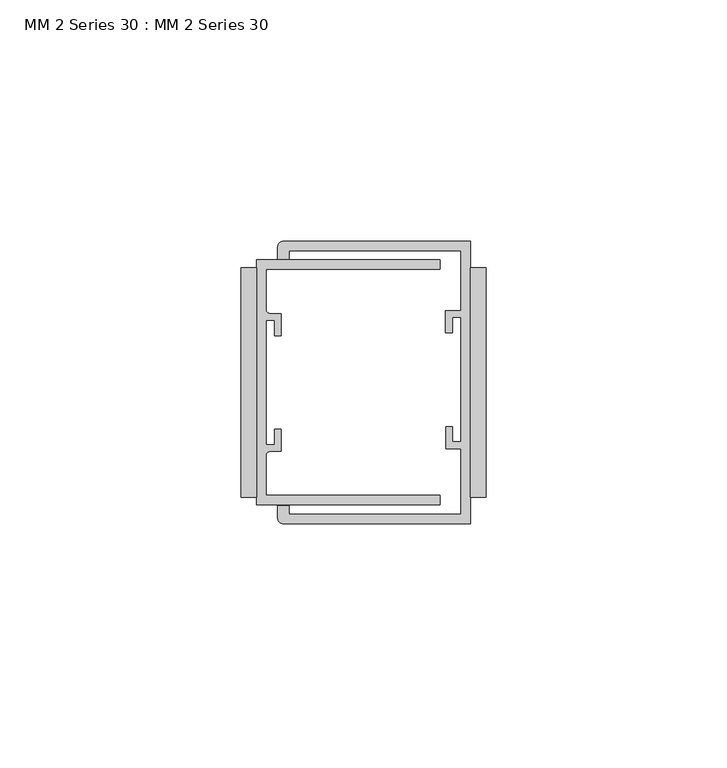
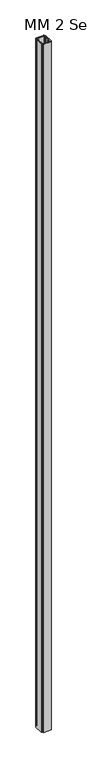
"""IFC4 building model written with IfcOpenShell, lengths in millimetres: proxy geometry, MM 2 Series 30 : MM 2 Series 30."""

from ifc_helpers import new_model, si_unit, point, frame_2d, origin, origin_with_axes, place, context, project, spatial, polyline, circle_curve, trimmed, segment, composite_curve, outline, extrude, source, transform, mapped, element, save


def mm_2_series_30_mm_2_series_30_18b7822d(model_context):
    return source(origin(), model_context, "Body", "SweptSolid", [
        extrude(outline(polyline([(-3.175, 23.8125), (0.0, 23.8125), (0.0, -23.8125), (-3.175, -23.8125), (-3.175, 23.8125)])), origin_with_axes(), (0.0, 0.0, 1.0), 3657.6),
        extrude(outline(polyline([(-50.8, 23.8125), (-47.625, 23.8125), (-47.625, -23.8125), (-50.8, -23.8125), (-50.8, 23.8125)])), origin_with_axes(), (0.0, 0.0, 1.0), 3657.6),
        extrude(outline(composite_curve([segment(polyline([(-41.989375, 29.2862), (-3.175, 29.2862), (-3.175, -29.2862), (-41.989375, -29.2862)]), True, "CONTINUOUS"), segment(trimmed(circle_curve(frame_2d((-41.989375, -28.095575)), 1.190625), [point((-41.989375, -29.2862))], [point((-43.18, -28.095575))], False, "CARTESIAN"), True, "CONTINUOUS"), segment(polyline([(-43.18, -28.095575), (-43.18, -25.527), (-40.8835006, -25.527), (-40.8835006, -27.305), (-5.1562, -27.305), (-5.1562, -13.7024149), (-8.3312, -13.7024149), (-8.3312, -9.1355958), (-6.967, -9.1355958), (-6.967, -12.3105958), (-5.189, -12.3105958), (-5.189, 13.495805), (-6.9792436, 13.495805), (-6.9792436, 10.3136087), (-8.3683061, 10.3136087), (-8.3683061, 14.8979851), (-5.1562, 14.8979851), (-5.1562, 27.305), (-40.8835006, 27.305), (-40.8835006, 25.527), (-43.18, 25.527), (-43.18, 28.095575)]), True, "CONTINUOUS"), segment(trimmed(circle_curve(frame_2d((-41.989375, 28.095575)), 1.190625), [point((-43.18, 28.095575))], [point((-41.989375, 29.2862))], False, "CARTESIAN"), True, "CONTINUOUS")], self_intersect=False)), origin_with_axes(), (0.0, 0.0, 1.0), 3657.6),
        extrude(outline(composite_curve([segment(polyline([(-47.625, -25.4), (-47.625, 25.4), (-9.525, 25.4), (-9.525, 23.4188), (-45.6438, 23.4188), (-45.6438, 15.0569227)]), True, "CONTINUOUS"), segment(trimmed(circle_curve(frame_2d((-44.8818, 15.0569227)), 0.762), [point((-45.6438, 15.0569227))], [point((-44.8818, 14.2949227))], True, "CARTESIAN"), True, "CONTINUOUS"), segment(polyline([(-44.8818, 14.2949227), (-42.4688, 14.2949227), (-42.4688, 9.7229227), (-43.8658, 9.7229227), (-43.8658, 12.8979227), (-45.6438, 12.8979227), (-45.6438, -12.9084773), (-43.8658, -12.9084773), (-43.8658, -9.7334773), (-42.4688, -9.7334773), (-42.4688, -14.3054773), (-44.8818, -14.3054773)]), True, "CONTINUOUS"), segment(trimmed(circle_curve(frame_2d((-44.8818, -15.0674773)), 0.762), [point((-44.8818, -14.3054773))], [point((-45.6438, -15.0674773))], True, "CARTESIAN"), True, "CONTINUOUS"), segment(polyline([(-45.6438, -15.0674773), (-45.6438, -23.4188), (-9.525, -23.4188), (-9.525, -25.4), (-47.625, -25.4)]), True, "CONTINUOUS")], self_intersect=False)), origin_with_axes(), (0.0, 0.0, 1.0), 3657.6),
    ])


if __name__ == "__main__":
    model = new_model("IFC4")
    model_context = context("Model", 3, world=origin())
    ifc_project = project(units=[si_unit("LENGTHUNIT", "METRE", prefix="MILLI")], contexts=[model_context])
    site = spatial("IfcSite", under=ifc_project)
    building = spatial("IfcBuilding", under=site)
    placement = place(None, origin())
    mm_2_series_30_mm_2_series_30_shape = mm_2_series_30_mm_2_series_30_18b7822d(model_context)
    element("IfcBuildingElementProxy", 1, Name="MM 2 Series 30 : MM 2 Series 30", ObjectType="MM 2 Series 30 : MM 2 Series 30", at=placement, inside=building, context=model_context, shape_type="MappedRepresentation", body=[
        mapped(mm_2_series_30_mm_2_series_30_shape, transform((0.0, 0.0, 0.0), x_axis=(1.0, 0.0, 0.0), y_axis=(0.0, 1.0, 0.0), z_axis=(0.0, 0.0, 1.0))),
    ])
    save(model, "model.ifc")
